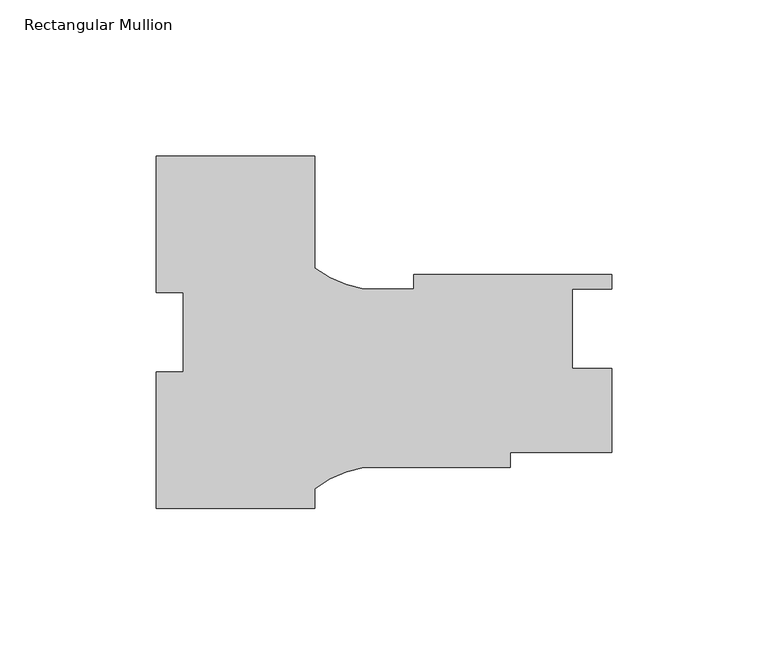
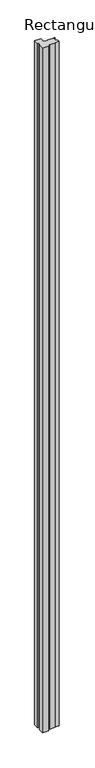
"""IFC4 building model written with IfcOpenShell, lengths in millimetres: member geometry, Rectangular Mullion."""

from ifc_helpers import new_model, si_unit, point, frame, frame_2d, origin, place, context, project, spatial, polyline, circle_curve, trimmed, segment, composite_curve, outline, extrude, source, transform, mapped, element, save


def rectangular_mullion_266124fd(model_context):
    return source(origin(), model_context, "Body", "SweptSolid", [
        extrude(outline(composite_curve([segment(polyline([(-25.4, 13.5936492), (-25.4, 57.401417), (25.4, 57.401417), (25.4, 21.5165216)]), True, "CONTINUOUS"), segment(trimmed(circle_curve(frame_2d((47.5843006, 51.0605587)), 36.945816), [point((25.4, 21.5165216))], [point((41.2187366, 14.66725))], True, "CARTESIAN"), True, "CONTINUOUS"), segment(polyline([(41.2187366, 14.66725), (57.1690504, 14.66725), (57.1690504, 19.42975), (120.65, 19.42975), (120.65, 14.73075), (107.95, 14.73075), (107.95, -10.66925), (120.6690504, -10.66925), (120.6690504, -37.72025), (88.1258329, -37.72025), (88.1258329, -42.48275), (41.2172861, -42.48275)]), True, "CONTINUOUS"), segment(trimmed(circle_curve(frame_2d((47.5843006, -78.8758049)), 36.945816), [point((41.2172861, -42.48275))], [point((25.4, -49.3317678))], True, "CARTESIAN"), True, "CONTINUOUS"), segment(polyline([(25.4, -49.3317678), (25.4, -55.679383), (-25.4, -55.679383), (-25.4, -11.8940491), (-16.66875, -11.8940491), (-16.66875, 13.5936492), (-25.4, 13.5936492)]), True, "CONTINUOUS")], self_intersect=False)), frame((0.0, 0.0, -6032.5), z_axis=(0.0, 0.0, 1.0), x_axis=(1.0, 0.0, 0.0)), (0.0, 0.0, 1.0), 6032.5),
    ])


if __name__ == "__main__":
    model = new_model("IFC4")
    model_context = context("Model", 3, world=origin())
    ifc_project = project(units=[si_unit("LENGTHUNIT", "METRE", prefix="MILLI")], contexts=[model_context])
    site = spatial("IfcSite", under=ifc_project)
    building = spatial("IfcBuilding", under=site)
    placement = place(None, origin())
    rectangular_mullion_shape = rectangular_mullion_266124fd(model_context)
    element("IfcMember", 1, ObjectType="Rectangular Mullion", at=placement, inside=building, context=model_context, shape_type="MappedRepresentation", body=[
        mapped(rectangular_mullion_shape, transform((0.0, 0.0, 0.0), x_axis=(1.0, 0.0, 0.0), y_axis=(0.0, 1.0, 0.0), z_axis=(0.0, 0.0, 1.0))),
    ])
    save(model, "model.ifc")
